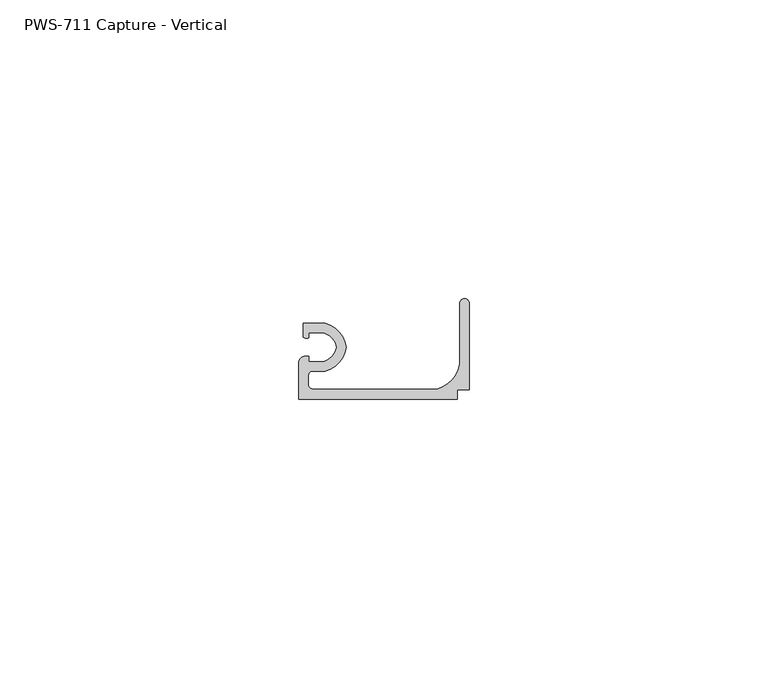
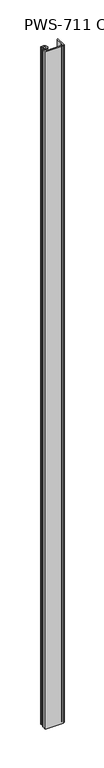
"""IFC4 building model written with IfcOpenShell, lengths in millimetres: proxy geometry, PWS-711 Capture - Vertical."""

import ifcopenshell
import ifcopenshell.guid

model = None  # the IFC model being written
_history = None  # IfcOwnerHistory: only IFC2X3 demands one
_inside = {}  # id of a spatial element -> (the spatial element, [elements in it])
_under = {}  # id of a project, library or spatial element -> (it, [spatial elements below it])
_declared = {}  # id of a project -> (the project, [libraries it declares])
_typed = {}  # id of a type object -> (the type object, [elements of that type])
_made_of = {}  # id of a material, layer set ... -> (it, [elements and type objects made of it])


def new_model(schema):
    """Start an empty IFC model of exactly this schema.

    Asked for "IFC4X3", IfcOpenShell would pick the latest addendum, in which some entities
    have other attributes; the version numbers below select the first issue.
    IFC2X3 requires an IfcOwnerHistory on every rooted entity: one is made here for all.
    """
    global model, _history
    if schema == "IFC4X3":
        model = ifcopenshell.file(schema_version=(4, 3, 0, 0))
    else:
        model = ifcopenshell.file(schema=schema)
    _inside.clear()
    _under.clear()
    _declared.clear()
    _typed.clear()
    _made_of.clear()
    _history = None
    if model.schema == "IFC2X3":
        org = make("IfcOrganization", Name="unknown")
        user = make(
            "IfcPersonAndOrganization",
            ThePerson=make("IfcPerson", FamilyName="unknown"),
            TheOrganization=org,
        )
        app = make(
            "IfcApplication",
            ApplicationDeveloper=org,
            Version="unknown",
            ApplicationFullName="unknown",
            ApplicationIdentifier="unknown",
        )
        _history = make(
            "IfcOwnerHistory",
            OwningUser=user,
            OwningApplication=app,
            ChangeAction="ADDED",
            CreationDate=0,
        )
    return model


def make(cls, **values):
    """One entity of the class cls with the attributes given. An attribute that is None is left unset."""
    return model.create_entity(
        cls, **{name: value for name, value in values.items() if value is not None}
    )


def rooted(cls, **values):
    """An entity with a GlobalId (a new one), such as an element, a storey or a relation."""
    return make(cls, GlobalId=ifcopenshell.guid.new(), OwnerHistory=_history, **values)


def si_unit(unit_type, name, prefix=None):
    """IfcSIUnit, for example si_unit("LENGTHUNIT", "METRE", prefix="MILLI")."""
    return make("IfcSIUnit", UnitType=unit_type, Prefix=prefix, Name=name)


def assignment(units):
    """IfcUnitAssignment: the units of a project."""
    return None if units is None else make("IfcUnitAssignment", Units=units)


def point(xyz):
    """IfcCartesianPoint."""
    return None if xyz is None else make("IfcCartesianPoint", Coordinates=xyz)


def direction(xyz):
    """IfcDirection."""
    return None if xyz is None else make("IfcDirection", DirectionRatios=xyz)


def frame(location, z_axis=None, x_axis=None):
    """IfcAxis2Placement3D, a coordinate frame: its origin and axes. An axis left out is left unset."""
    return make(
        "IfcAxis2Placement3D",
        Location=point(location),
        Axis=direction(z_axis),
        RefDirection=direction(x_axis),
    )


def frame_2d(location, x_axis=None):
    """IfcAxis2Placement2D, a coordinate frame in the plane: its origin and x axis."""
    return make(
        "IfcAxis2Placement2D", Location=point(location), RefDirection=direction(x_axis)
    )


def origin():
    """The frame at (0, 0, 0) with its axes left unset."""
    return frame((0.0, 0.0, 0.0))


def origin_with_axes():
    """The frame at (0, 0, 0) with the z axis (0, 0, 1) and the x axis (1, 0, 0) written out."""
    return frame((0.0, 0.0, 0.0), z_axis=(0.0, 0.0, 1.0), x_axis=(1.0, 0.0, 0.0))


def place(relative_to, where):
    """IfcLocalPlacement: puts the frame where relative to a parent placement (None: the world)."""
    return make(
        "IfcLocalPlacement", PlacementRelTo=relative_to, RelativePlacement=where
    )


def context(
    kind, dimensions, precision=None, world=None, true_north=None, identifier=None
):
    """IfcGeometricRepresentationContext, for example the 3D "Model" context."""
    return make(
        "IfcGeometricRepresentationContext",
        ContextIdentifier=identifier,
        ContextType=kind,
        CoordinateSpaceDimension=dimensions,
        Precision=precision,
        WorldCoordinateSystem=world,
        TrueNorth=true_north,
    )


def project(units=None, contexts=None):
    """IfcProject with its units and contexts."""
    return rooted(
        "IfcProject",
        Name="project",
        RepresentationContexts=contexts,
        UnitsInContext=assignment(units),
    )


def spatial(cls, under=None, at=None, **own):
    """A site, building, storey or space (cls), placed at a placement, below another one or the project."""
    s = rooted(cls, ObjectPlacement=at, **own)
    if under is not None:
        _under.setdefault(under.id(), (under, []))[1].append(s)
    return s


def polyline(points):
    """IfcPolyline through the points."""
    return make("IfcPolyline", Points=[point(p) for p in points])


def circle_curve(where, radius):
    """IfcCircle in the frame where."""
    return make("IfcCircle", Position=where, Radius=radius)


def trimmed(basis, trim1, trim2, sense, master):
    """IfcTrimmedCurve: the piece of a basis curve between two trims."""
    return make(
        "IfcTrimmedCurve",
        BasisCurve=basis,
        Trim1=trim1,
        Trim2=trim2,
        SenseAgreement=sense,
        MasterRepresentation=master,
    )


def segment(curve, same_sense, transition):
    """IfcCompositeCurveSegment."""
    return make(
        "IfcCompositeCurveSegment",
        Transition=transition,
        SameSense=same_sense,
        ParentCurve=curve,
    )


def composite_curve(segments, self_intersect=None):
    """IfcCompositeCurve: segments joined end to end."""
    return make("IfcCompositeCurve", Segments=segments, SelfIntersect=self_intersect)


def outline(outer, holes=None, kind="AREA"):
    """IfcArbitraryClosedProfileDef: a profile drawn as a closed curve; with holes, ...WithVoids."""
    if holes is None:
        return make("IfcArbitraryClosedProfileDef", ProfileType=kind, OuterCurve=outer)
    return make(
        "IfcArbitraryProfileDefWithVoids",
        ProfileType=kind,
        OuterCurve=outer,
        InnerCurves=holes,
    )


def extrude(swept, where, along, depth):
    """IfcExtrudedAreaSolid: the profile swept, set in the frame where, extruded along a direction by depth."""
    return make(
        "IfcExtrudedAreaSolid",
        SweptArea=swept,
        Position=where,
        ExtrudedDirection=direction(along),
        Depth=depth,
    )


def shape(context_of_items, identifier, shape_type, items):
    """IfcShapeRepresentation: the items that make up one representation, for example the "Body"."""
    return make(
        "IfcShapeRepresentation",
        ContextOfItems=context_of_items,
        RepresentationIdentifier=identifier,
        RepresentationType=shape_type,
        Items=items,
    )


def source(mapping_origin, context_of_items, identifier, shape_type, items):
    """IfcRepresentationMap: a shape defined once, which mapped items show again and again."""
    return make(
        "IfcRepresentationMap",
        MappingOrigin=mapping_origin,
        MappedRepresentation=shape(context_of_items, identifier, shape_type, items),
    )


def transform(
    local_origin,
    x_axis=None,
    y_axis=None,
    z_axis=None,
    scale=None,
    scale2=None,
    scale3=None,
    uniform=True,
):
    """IfcCartesianTransformationOperator3D, or its non-uniform kind. x_axis, y_axis, z_axis: its Axis1, 2, 3."""
    if uniform:
        return make(
            "IfcCartesianTransformationOperator3D",
            Axis1=direction(x_axis),
            Axis2=direction(y_axis),
            LocalOrigin=point(local_origin),
            Scale=scale,
            Axis3=direction(z_axis),
        )
    return make(
        "IfcCartesianTransformationOperator3DnonUniform",
        Axis1=direction(x_axis),
        Axis2=direction(y_axis),
        LocalOrigin=point(local_origin),
        Scale=scale,
        Axis3=direction(z_axis),
        Scale2=scale2,
        Scale3=scale3,
    )


def mapped(mapping_source, mapping_target):
    """IfcMappedItem: shows the shape of a source again, moved by a transform."""
    return make(
        "IfcMappedItem", MappingSource=mapping_source, MappingTarget=mapping_target
    )


def made_of(thing, what):
    """Note that an element or type object is made of a material, layer set ...; save() writes the relation."""
    if what is not None:
        _made_of.setdefault(what.id(), (what, []))[1].append(thing)
    return thing


def element(
    cls,
    number,
    at=None,
    inside=None,
    cuts=None,
    type_object=None,
    material=None,
    context=None,
    identifier="Body",
    shape_type=None,
    held_by="IfcProductDefinitionShape",
    body=None,
    shapes=None,
    **own,
):
    """One element of the class cls, such as IfcWall. Its Tag is "e" and its number.

    at: its placement. inside: the storey or other place that contains it. cuts: it is an
    opening in that element (IfcRelVoidsElement). A single representation is given by context,
    identifier, shape_type and body (its items); several are given by shapes. held_by: the class
    of the entity that holds the representations. save() writes the other relations.
    """
    e = rooted(cls, Tag="e%d" % number, ObjectPlacement=at, **own)
    if body is not None:
        shapes = [shape(context, identifier, shape_type, body)]
    if shapes is not None:
        e.Representation = make(held_by, Representations=shapes)
    if inside is not None:
        _inside.setdefault(inside.id(), (inside, []))[1].append(e)
    if cuts is not None:
        rooted(
            "IfcRelVoidsElement", RelatingBuildingElement=cuts, RelatedOpeningElement=e
        )
    if type_object is not None:
        _typed.setdefault(type_object.id(), (type_object, []))[1].append(e)
    return made_of(e, material)


def aggregate(whole, parts):
    """IfcRelAggregates: a whole, such as a stair, and the parts it consists of."""
    return rooted("IfcRelAggregates", RelatingObject=whole, RelatedObjects=parts)


def save(model, path):
    """Write the relations noted so far, then the file.

    IfcRelAggregates (storeys below a building ...), IfcRelContainedInSpatialStructure (elements
    in a storey), IfcRelDefinesByType, IfcRelAssociatesMaterial and IfcRelDeclares: one each for
    every whole, place, type object, material and project.
    """
    for whole, parts in _under.values():
        aggregate(whole, parts)
    for where, things in _inside.values():
        rooted(
            "IfcRelContainedInSpatialStructure",
            RelatedElements=things,
            RelatingStructure=where,
        )
    for kind, things in _typed.values():
        rooted("IfcRelDefinesByType", RelatedObjects=things, RelatingType=kind)
    for what, things in _made_of.values():
        rooted("IfcRelAssociatesMaterial", RelatedObjects=things, RelatingMaterial=what)
    for by, libraries in _declared.values():
        rooted("IfcRelDeclares", RelatingContext=by, RelatedDefinitions=libraries)
    model.write(path)


def pws_711_capture_vertical_41271487(model_context):
    return source(origin(), model_context, "Body", "SweptSolid", [
        extrude(outline(composite_curve([segment(trimmed(circle_curve(frame_2d((3.2089841, -42.7315673)), 3.2037832), [point((6.35, -42.1005))], [point((4.207924, -39.6875))], True, "CARTESIAN"), True, "CONTINUOUS"), segment(polyline([(4.207924, -39.6875), (1.6997088, -39.6875), (1.6997088, -40.5340531)]), True, "CONTINUOUS"), segment(trimmed(circle_curve(frame_2d((1.3351034, -39.4755121)), 1.1195742), [point((1.6997088, -40.5340531))], [point((0.762, -40.4372806))], False, "CARTESIAN"), True, "CONTINUOUS"), segment(polyline([(0.762, -40.4372806), (0.762, -38.1), (4.4357599, -38.1)]), True, "CONTINUOUS"), segment(trimmed(circle_curve(frame_2d((3.2089841, -42.7315673)), 4.7912832), [point((4.4357599, -38.1))], [point((7.9585261, -42.1005))], False, "CARTESIAN"), True, "CONTINUOUS"), segment(trimmed(circle_curve(frame_2d((3.2089841, -41.4694327)), 4.7912832), [point((7.9585261, -42.1005))], [point((4.4357599, -46.101))], False, "CARTESIAN"), True, "CONTINUOUS"), segment(polyline([(4.4357599, -46.101), (2.38252, -46.101)]), True, "CONTINUOUS"), segment(trimmed(circle_curve(frame_2d((2.38252, -46.89602)), 0.79502), [point((2.38252, -46.101))], [point((1.5875, -46.89602))], True, "CARTESIAN"), True, "CONTINUOUS"), segment(polyline([(1.5875, -46.89602), (1.5875, -48.3102252)]), True, "CONTINUOUS"), segment(trimmed(circle_curve(frame_2d((2.38252, -48.3102252)), 0.79502), [point((1.5875, -48.3102252))], [point((2.38252, -49.1052452))], True, "CARTESIAN"), True, "CONTINUOUS"), segment(polyline([(2.38252, -49.1052452), (23.2016903, -49.1052452)]), True, "CONTINUOUS"), segment(trimmed(circle_curve(frame_2d((21.7797652, -44.0047652)), 5.2949756), [point((23.2016903, -49.1052452))], [point((26.9875, -44.9619826))], True, "CARTESIAN"), True, "CONTINUOUS"), segment(polyline([(26.9875, -44.9619826), (26.9875, -34.76625)]), True, "CONTINUOUS"), segment(trimmed(circle_curve(frame_2d((27.78125, -34.76625)), 0.79375), [point((26.9875, -34.76625))], [point((28.575, -34.76625))], False, "CARTESIAN"), True, "CONTINUOUS"), segment(polyline([(28.575, -34.76625), (28.575, -49.2125), (26.543, -49.2125), (26.543, -50.8), (0.0, -50.8), (0.0, -44.7430936)]), True, "CONTINUOUS"), segment(trimmed(circle_curve(frame_2d((1.1429206, -44.7430936)), 1.1429206), [point((0.0, -44.7430936))], [point((0.9083659, -43.6245))], False, "CARTESIAN"), True, "CONTINUOUS"), segment(polyline([(0.9083659, -43.6245), (1.6997088, -43.6245), (1.6997088, -44.5135), (4.207924, -44.5135)]), True, "CONTINUOUS"), segment(trimmed(circle_curve(frame_2d((3.2089841, -41.4694327)), 3.2037832), [point((4.207924, -44.5135))], [point((6.35, -42.1005))], True, "CARTESIAN"), True, "CONTINUOUS")], self_intersect=False)), origin_with_axes(), (0.0, 0.0, 1.0), 1063.9226562),
    ])


if __name__ == "__main__":
    model = new_model("IFC4")
    model_context = context("Model", 3, world=origin())
    ifc_project = project(units=[si_unit("LENGTHUNIT", "METRE", prefix="MILLI")], contexts=[model_context])
    site = spatial("IfcSite", under=ifc_project)
    building = spatial("IfcBuilding", under=site)
    placement = place(None, origin())
    pws_711_capture_vertical_shape = pws_711_capture_vertical_41271487(model_context)
    element("IfcBuildingElementProxy", 1, Name="PWS-711 Capture - Vertical", ObjectType="PWS-711 Capture - Vertical", at=placement, inside=building, context=model_context, shape_type="MappedRepresentation", body=[
        mapped(pws_711_capture_vertical_shape, transform((0.0, 0.0, 0.0), x_axis=(1.0, 0.0, 0.0), y_axis=(0.0, 1.0, 0.0), z_axis=(0.0, 0.0, 1.0))),
    ])
    save(model, "model.ifc")
